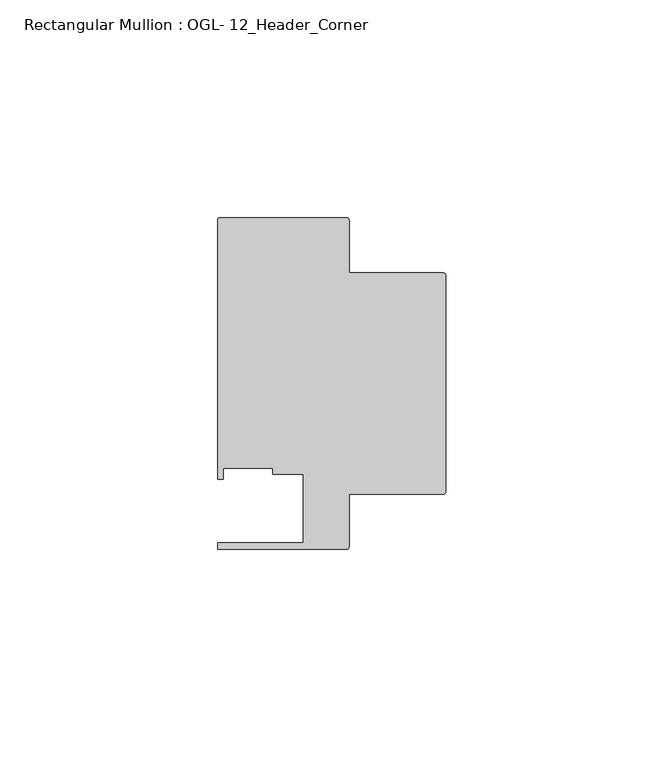
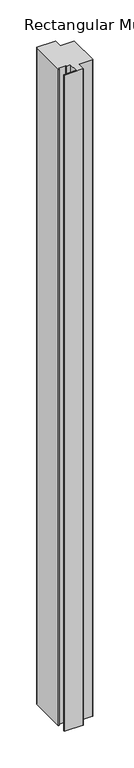
"""IFC4 building model written with IfcOpenShell, lengths in millimetres: member geometry, Rectangular Mullion : OGL- 12_Header_Corner."""

from ifc_helpers import new_model, si_unit, point, frame, frame_2d, origin, place, context, project, spatial, polyline, circle_curve, trimmed, segment, composite_curve, outline, extrude, source, transform, mapped, element, save


def rectangular_mullion_ogl_12_header_corner_94d6ec2a(model_context):
    return source(origin(), model_context, "Body", "SweptSolid", [
        extrude(outline(composite_curve([segment(trimmed(circle_curve(frame_2d((-0.5953125, 54.9671875)), 0.5953125), [point((-0.5953125, 55.5625))], [point((0.0, 54.9671875))], False, "CARTESIAN"), True, "CONTINUOUS"), segment(polyline([(0.0, 54.9671875), (0.0, 5.3578125)]), True, "CONTINUOUS"), segment(trimmed(circle_curve(frame_2d((-0.5953125, 5.3578125)), 0.5953125), [point((0.0, 5.3578125))], [point((-0.5953125, 4.7625))], False, "CARTESIAN"), True, "CONTINUOUS"), segment(polyline([(-0.5953125, 4.7625), (-22.2332898, 4.7625), (-22.2332898, -7.294459)]), True, "CONTINUOUS"), segment(trimmed(circle_curve(frame_2d((-22.8763468, -7.294459)), 0.643057), [point((-22.2332898, -7.294459))], [point((-22.8763468, -7.937516))], False, "CARTESIAN"), True, "CONTINUOUS"), segment(polyline([(-22.8763468, -7.937516), (-52.3830881, -7.937516), (-52.3830881, -6.350016), (-32.730302, -6.350016), (-32.730302, 9.3367652), (-39.7567771, 9.3367652), (-39.7567771, 10.6800725), (-51.1362531, 10.6800725), (-51.1362531, 8.1914024), (-52.3921824, 8.1914024), (-52.3921824, 67.6668667)]), True, "CONTINUOUS"), segment(trimmed(circle_curve(frame_2d((-51.7968699, 67.6668667)), 0.5953125), [point((-52.3921824, 67.6668667))], [point((-51.7968699, 68.2621792))], False, "CARTESIAN"), True, "CONTINUOUS"), segment(polyline([(-51.7968699, 68.2621792), (-22.8286023, 68.2621792)]), True, "CONTINUOUS"), segment(trimmed(circle_curve(frame_2d((-22.8286023, 67.6668667)), 0.5953125), [point((-22.8286023, 68.2621792))], [point((-22.2332898, 67.6668667))], False, "CARTESIAN"), True, "CONTINUOUS"), segment(polyline([(-22.2332898, 67.6668667), (-22.2332898, 55.5625), (-0.5953125, 55.5625)]), True, "CONTINUOUS")], self_intersect=False)), frame((0.0, 0.0, -1097.3189138), z_axis=(0.0, 0.0, 1.0), x_axis=(1.0, 0.0, 0.0)), (0.0, 0.0, 1.0), 1097.3189138),
    ])


if __name__ == "__main__":
    model = new_model("IFC4")
    model_context = context("Model", 3, world=origin())
    ifc_project = project(units=[si_unit("LENGTHUNIT", "METRE", prefix="MILLI")], contexts=[model_context])
    site = spatial("IfcSite", under=ifc_project)
    building = spatial("IfcBuilding", under=site)
    placement = place(None, origin())
    rectangular_mullion_ogl_12_header_corner_shape = rectangular_mullion_ogl_12_header_corner_94d6ec2a(model_context)
    element("IfcMember", 1, ObjectType="Rectangular Mullion : OGL- 12_Header_Corner", at=placement, inside=building, context=model_context, shape_type="MappedRepresentation", body=[
        mapped(rectangular_mullion_ogl_12_header_corner_shape, transform((0.0, 0.0, 0.0), x_axis=(1.0, 0.0, 0.0), y_axis=(0.0, 1.0, 0.0), z_axis=(0.0, 0.0, 1.0))),
    ])
    save(model, "model.ifc")
